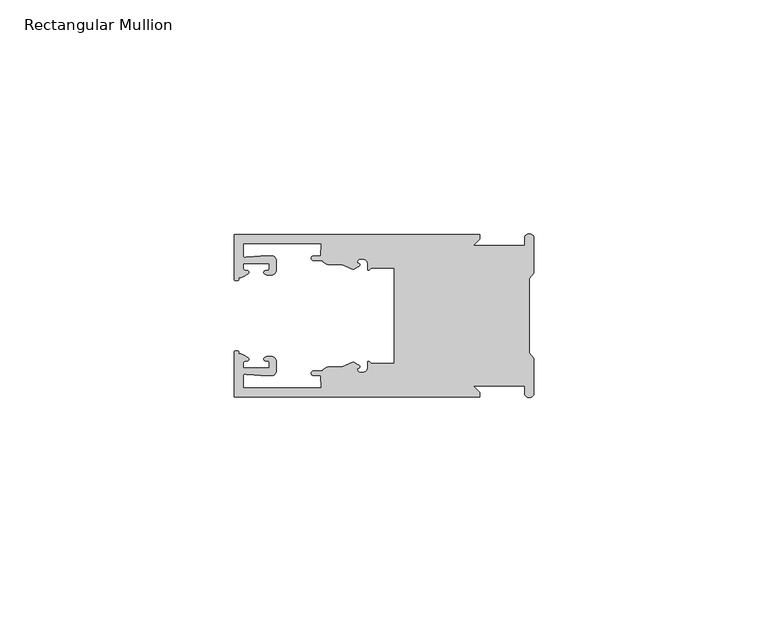
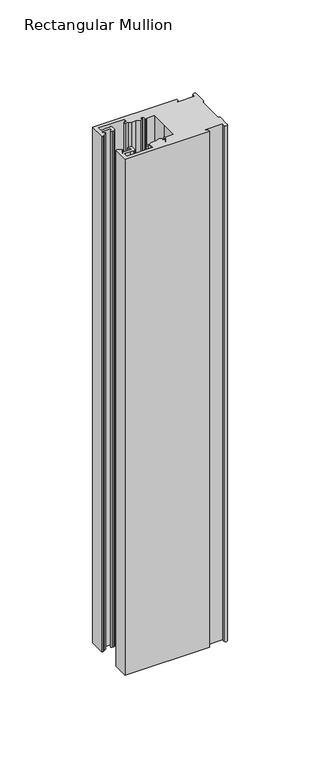
"""IFC4 building model written with IfcOpenShell, lengths in millimetres: member geometry, Rectangular Mullion."""

from ifc_helpers import new_model, si_unit, frame, origin, place, context, project, spatial, polyline, circle_curve, source, transform, mapped, element, save
from ifc_brep_helpers import plane_surface, cylinder_surface, revolved_surface, extruded_surface, spline_curve, advanced_brep


def rectangular_mullion_e90505ba(model_context):
    return source(origin(), model_context, "Body", "AdvancedBrep", [
        advanced_brep(
        [(-11.5387897, 17.4000478, 0.0), (-64.0387868, 17.4000478, 0.0), (-64.0387868, 7.8350057, 0.0), (-63.2884687, 7.5412947, 0.0), (-62.4614154, 8.1921895, 0.0), (-62.0410649, 9.9426451, 0.0), (-62.0424168, 11.1926444, 0.0), (-56.54242, 11.1985924, 0.0), (-56.5410682, 9.9485931, 0.0), (-57.1085345, 8.7314723, 0.0), (-56.0397166, 8.6991345, 0.0), (-55.0407987, 9.7002154, 0.0), (-55.0430697, 11.8002142, 0.0), (-56.0446364, 12.7991315, 0.0), (-58.3650753, 12.7954945, 0.0), (-61.1340054, 12.5502269, 0.0), (-62.044093, 12.7426435, 0.0), (-62.0469668, 15.4000478, 0.0), (-45.4240312, 15.4000478, 0.0), (-45.5732135, 12.8000478, 0.0), (-47.0387868, 12.8000478, 0.0), (-47.0387868, 11.8000478, 0.0), (-45.2543363, 11.8000478, 0.0), (-43.6387868, 10.9000478, 0.0), (-41.0454034, 10.9000478, 0.0), (-38.5697136, 9.8718293, 0.0), (-37.5387868, 10.4670351, 0.0), (-37.6803436, 11.4201497, 0.0), (-37.0270763, 12.1583697, 0.0), (-36.2010815, 12.0127245, 0.0), (-35.54, 11.2248783, 0.0), (-35.54, 10.0, 0.0), (-34.7705791, 10.25, 0.0), (-29.79, 10.25, 0.0), (-29.79, 0.0, 0.0), (-29.79, -10.25, 0.0), (-34.7705791, -10.25, 0.0), (-35.54, -10.0, 0.0), (-35.54, -11.2248783, 0.0), (-36.2010815, -12.0127245, 0.0), (-37.0270763, -12.1583697, 0.0), (-37.6803436, -11.4201497, 0.0), (-37.5387868, -10.4670351, 0.0), (-38.5697136, -9.8718293, 0.0), (-41.0454034, -10.9000478, 0.0), (-43.6387868, -10.9000478, 0.0), (-45.2543363, -11.8000478, 0.0), (-47.0387868, -11.8000478, 0.0), (-47.0387868, -12.8000478, 0.0), (-45.5732135, -12.8000478, 0.0), (-45.4240312, -15.4000478, 0.0), (-62.0469668, -15.4000478, 0.0), (-62.044093, -12.7426435, 0.0), (-61.1340054, -12.5502269, 0.0), (-58.3650753, -12.7954945, 0.0), (-56.0446364, -12.7991314, 0.0), (-55.0430697, -11.8002142, 0.0), (-55.0407987, -9.7002154, 0.0), (-56.0397166, -8.6991345, 0.0), (-57.1085345, -8.7314723, 0.0), (-56.5410682, -9.9485931, 0.0), (-56.54242, -11.1985924, 0.0), (-62.0424168, -11.1926444, 0.0), (-62.0410649, -9.9426451, 0.0), (-62.4614154, -8.1921895, 0.0), (-63.2884687, -7.5412947, 0.0), (-64.0387868, -7.8350057, 0.0), (-64.0387868, -17.4000478, 0.0), (-11.5387897, -17.4000478, 0.0), (-11.5387897, -16.4000449, 0.0), (-12.9388346, -15.0, 0.0), (-2.0, -15.0, 0.0), (-2.0, -16.5, 0.0), (0.0, -16.5, 0.0), (0.0, -9.1160254, 0.0), (-1.0, -7.9613249, 0.0), (-1.0, 0.0, 0.0), (-1.0, 7.9613249, 0.0), (0.0, 9.1160254, 0.0), (0.0, 16.5, 0.0), (-2.0, 16.5, 0.0), (-2.0, 15.0, 0.0), (-12.9388346, 15.0, 0.0), (-11.5387897, 16.4000449, 0.0), (-11.5387897, 17.4000478, -339.0), (-11.5387897, 16.4000449, -339.0), (-12.9388346, 15.0, -339.0), (-2.0, 15.0, -339.0), (-2.0, 16.5, -339.0), (0.0, 16.5, -339.0), (0.0, 9.1160254, -339.0), (-1.0, 7.9613249, -339.0), (-1.0, 0.0, -339.0), (-1.0, -7.9613249, -339.0), (0.0, -9.1160254, -339.0), (0.0, -16.5, -339.0), (-2.0, -16.5, -339.0), (-2.0, -15.0, -339.0), (-12.9388346, -15.0, -339.0), (-11.5387897, -16.4000449, -339.0), (-11.5387897, -17.4000478, -339.0), (-64.0387868, -17.4000478, -339.0), (-64.0387868, -7.8350057, -339.0), (-63.2884687, -7.5412947, -339.0), (-62.4614154, -8.1921895, -339.0), (-62.0410649, -9.9426451, -339.0), (-62.0424168, -11.1926444, -339.0), (-56.54242, -11.1985924, -339.0), (-56.5410682, -9.9485931, -339.0), (-57.1085345, -8.7314723, -339.0), (-56.0397166, -8.6991345, -339.0), (-55.0407987, -9.7002154, -339.0), (-55.0430697, -11.8002142, -339.0), (-56.0446364, -12.7991315, -339.0), (-58.3650753, -12.7954945, -339.0), (-61.1340054, -12.5502269, -339.0), (-62.044093, -12.7426435, -339.0), (-62.0469668, -15.4000478, -339.0), (-45.4240312, -15.4000478, -339.0), (-45.5732135, -12.8000478, -339.0), (-47.0387868, -12.8000478, -339.0), (-47.0387868, -11.8000478, -339.0), (-45.2543363, -11.8000478, -339.0), (-43.6387868, -10.9000478, -339.0), (-41.0454034, -10.9000478, -339.0), (-38.5697136, -9.8718293, -339.0), (-37.5387868, -10.4670351, -339.0), (-37.6803436, -11.4201497, -339.0), (-37.0270763, -12.1583697, -339.0), (-36.2010815, -12.0127245, -339.0), (-35.54, -11.2248783, -339.0), (-35.54, -10.0, -339.0), (-34.7705791, -10.25, -339.0), (-29.79, -10.25, -339.0), (-29.79, 0.0, -339.0), (-29.79, 10.25, -339.0), (-34.7705791, 10.25, -339.0), (-35.54, 10.0, -339.0), (-35.54, 11.2248783, -339.0), (-36.2010815, 12.0127245, -339.0), (-37.0270763, 12.1583697, -339.0), (-37.6803436, 11.4201497, -339.0), (-37.5387868, 10.4670351, -339.0), (-38.5697136, 9.8718293, -339.0), (-41.0454034, 10.9000478, -339.0), (-43.6387868, 10.9000478, -339.0), (-45.2543363, 11.8000478, -339.0), (-47.0387868, 11.8000478, -339.0), (-47.0387868, 12.8000478, -339.0), (-45.5732135, 12.8000478, -339.0), (-45.4240312, 15.4000478, -339.0), (-62.0469668, 15.4000478, -339.0), (-62.044093, 12.7426435, -339.0), (-61.1340054, 12.5502269, -339.0), (-58.3650753, 12.7954945, -339.0), (-56.0446364, 12.7991314, -339.0), (-55.0430697, 11.8002142, -339.0), (-55.0407987, 9.7002154, -339.0), (-56.0397166, 8.6991345, -339.0), (-57.1085345, 8.7314723, -339.0), (-56.5410682, 9.9485931, -339.0), (-56.54242, 11.1985924, -339.0), (-62.0424168, 11.1926444, -339.0), (-62.0410649, 9.9426451, -339.0), (-62.4614154, 8.1921895, -339.0), (-63.2884687, 7.5412947, -339.0), (-64.0387868, 7.8350057, -339.0), (-64.0387868, 17.4000478, -339.0)],
        [
            (0, 1),
            (1, 2),
            (2, 3, spline_curve(3, [(-64.0387868, 7.8350057, 0.0), (-64.038491377, 7.561831774, 0.0), (-63.788385325, 7.463928087, 0.0), (-63.2884687, 7.5412947, 0.0)], [4, 4], [0.0, 0.0019169337574178654])),
            (3, 4, spline_curve(3, [(-63.2884687, 7.5412947, 0.0), (-63.057760917, 7.582232011, 0.0), (-63.018445067, 7.725390894, 0.0), (-63.019925494, 8.056436881, 0.0), (-63.103444208, 8.236386866, 0.0), (-62.4614154, 8.1921895, 0.0)], [4, 2, 4], [0.0, 0.0010199524164107188, 0.0024874514725970356])),
            (4, 5, spline_curve(3, [(-62.4614154, 8.1921895, 0.0), (-60.988497673, 8.880962536, 0.0), (-60.794045122, 9.192776957, 0.0), (-60.949808078, 9.57023562, 0.0), (-61.145214014, 9.682771697, 0.0), (-61.665835706, 9.714019003, 0.0), (-61.965242574, 9.660891484, 0.0), (-62.0410649, 9.9426451, 0.0)], [4, 2, 2, 4], [0.0, 0.003269869179570428, 0.005490050486237203, 0.0073545767114364426])),
            (5, 6),
            (6, 7),
            (7, 8),
            (8, 9, spline_curve(3, [(-56.5410682, 9.9485931, 0.0), (-56.634838635, 9.597117104, 0.0), (-56.904956774, 9.698238818, 0.0), (-57.324171444, 9.731086209, 0.0), (-57.45969165, 9.646199885, 0.0), (-57.729003352, 9.346016011, 0.0), (-57.859492582, 9.113082158, 0.0), (-57.1085345, 8.7314723, 0.0)], [4, 2, 2, 4], [0.0, 0.001593963049934732, 0.0033360256320283306, 0.005339140673503943])),
            (9, 10),
            (10, 11, circle_curve(frame((-56.0407981, 9.699134, 0.0), z_axis=(0.0, 0.0, 1.0), x_axis=(0.0010814451158627505, -0.9999994152380598, 0.0)), 1.0)),
            (11, 12),
            (12, 13, circle_curve(frame((-56.0430691, 11.7991327, 0.0), z_axis=(0.0, 0.0, 1.0), x_axis=(0.0010814451158627505, -0.9999994152380598, 0.0)), 1.0)),
            (13, 14),
            (14, 15),
            (15, 16, spline_curve(3, [(-61.1340054, 12.5502269, 0.0), (-61.605485428, 12.508463911, 0.0), (-61.992111419, 12.303164326, 0.0), (-62.044093, 12.7426435, 0.0)], [4, 4], [0.0, 0.0014803385355886016])),
            (16, 17),
            (17, 18),
            (18, 19),
            (19, 20),
            (20, 21, circle_curve(frame((-47.0387868, 12.3000478, 0.0), z_axis=(0.0, 0.0, 1.0), x_axis=(0.0, -1.0, 0.0)), 0.5)),
            (21, 22),
            (22, 23, circle_curve(frame((-43.6387868, 12.8000478, 0.0), z_axis=(0.0, 0.0, 1.0), x_axis=(0.0, -1.0, 0.0)), 1.9)),
            (23, 24),
            (24, 25),
            (25, 26),
            (26, 27, spline_curve(3, [(-37.5387868, 10.4670351, 0.0), (-36.973919853, 10.833863985, 0.0), (-37.198159645, 11.135696286, 0.0), (-37.587892011, 11.260246073, 0.0), (-37.754584192, 11.180452419, 0.0), (-37.6803436, 11.4201497, 0.0)], [4, 2, 4], [0.0, 0.0019283703160353726, 0.003394584635652914])),
            (27, 28, circle_curve(frame((-37.0434863, 11.5147359, 0.0), z_axis=(0.0, 0.0, -1.0), x_axis=(0.0, -1.0, 0.0)), 0.643843)),
            (28, 29),
            (29, 30, circle_curve(frame((-36.34, 11.2248783, 0.0), z_axis=(0.0, 0.0, -1.0), x_axis=(0.0, -1.0, 0.0)), 0.8)),
            (30, 31),
            (31, 32, spline_curve(3, [(-35.54, 10.0, 0.0), (-35.440000238, 9.598293201, 0.0), (-35.183526594, 9.681626535, 0.0), (-34.7705791, 10.25, 0.0)], [4, 4], [0.0, 0.0027473296990141553])),
            (32, 33),
            (33, 34),
            (34, 35),
            (35, 36),
            (36, 37, spline_curve(3, [(-34.7705791, -10.25, 0.0), (-35.183526594, -9.681626535, 0.0), (-35.440000238, -9.598293201, 0.0), (-35.54, -10.0, 0.0)], [4, 4], [0.0, 0.0027473296990141553])),
            (37, 38),
            (38, 39, circle_curve(frame((-36.34, -11.2248783, 0.0), z_axis=(0.0, 0.0, -1.0), x_axis=(0.0, 1.0, 0.0)), 0.8)),
            (39, 40),
            (40, 41, circle_curve(frame((-37.0434863, -11.5147359, 0.0), z_axis=(0.0, 0.0, -1.0), x_axis=(0.0, 1.0, 0.0)), 0.643843)),
            (41, 42, spline_curve(3, [(-37.6803436, -11.4201497, 0.0), (-37.754584192, -11.180452419, 0.0), (-37.587892011, -11.260246073, 0.0), (-37.198159645, -11.135696286, 0.0), (-36.973919853, -10.833863985, 0.0), (-37.5387868, -10.4670351, 0.0)], [4, 2, 4], [0.0, 0.0014662143196175414, 0.003394584635652914])),
            (42, 43),
            (43, 44),
            (44, 45),
            (45, 46, circle_curve(frame((-43.6387868, -12.8000478, 0.0), z_axis=(0.0, 0.0, 1.0), x_axis=(0.0, 1.0, 0.0)), 1.9)),
            (46, 47),
            (47, 48, circle_curve(frame((-47.0387868, -12.3000478, 0.0), z_axis=(0.0, 0.0, 1.0), x_axis=(0.0, 1.0, 0.0)), 0.5)),
            (48, 49),
            (49, 50),
            (50, 51),
            (51, 52),
            (52, 53, spline_curve(3, [(-62.044093, -12.7426435, 0.0), (-61.992111419, -12.303164326, 0.0), (-61.605485428, -12.508463911, 0.0), (-61.1340054, -12.5502269, 0.0)], [4, 4], [0.0, 0.0014803385355886016])),
            (53, 54),
            (54, 55),
            (55, 56, circle_curve(frame((-56.0430691, -11.7991327, 0.0), z_axis=(0.0, 0.0, 1.0), x_axis=(0.001081445115855867, 0.9999994152380598, 0.0)), 1.0)),
            (56, 57),
            (57, 58, circle_curve(frame((-56.0407981, -9.699134, 0.0), z_axis=(0.0, 0.0, 1.0), x_axis=(0.001081445115855867, 0.9999994152380598, 0.0)), 1.0)),
            (58, 59),
            (59, 60, spline_curve(3, [(-57.1085345, -8.7314723, 0.0), (-57.859492582, -9.113082158, 0.0), (-57.729003352, -9.346016011, 0.0), (-57.45969165, -9.646199885, 0.0), (-57.324171444, -9.731086209, 0.0), (-56.904956774, -9.698238818, 0.0), (-56.634838635, -9.597117104, 0.0), (-56.5410682, -9.9485931, 0.0)], [4, 2, 2, 4], [0.0, 0.002003115041475612, 0.0037451776235692107, 0.005339140673503943])),
            (60, 61),
            (61, 62),
            (62, 63),
            (63, 64, spline_curve(3, [(-62.0410649, -9.9426451, 0.0), (-61.965242574, -9.660891484, 0.0), (-61.665835706, -9.714019003, 0.0), (-61.145214014, -9.682771697, 0.0), (-60.949808078, -9.57023562, 0.0), (-60.794045122, -9.192776957, 0.0), (-60.988497673, -8.880962536, 0.0), (-62.4614154, -8.1921895, 0.0)], [4, 2, 2, 4], [0.0, 0.0018645262251992395, 0.004084707531866015, 0.0073545767114364426])),
            (64, 65, spline_curve(3, [(-62.4614154, -8.1921895, 0.0), (-63.103444208, -8.236386866, 0.0), (-63.019925494, -8.056436881, 0.0), (-63.018445067, -7.725390894, 0.0), (-63.057760917, -7.582232011, 0.0), (-63.2884687, -7.5412947, 0.0)], [4, 2, 4], [0.0, 0.0014674990561863168, 0.0024874514725970356])),
            (65, 66, spline_curve(3, [(-63.2884687, -7.5412947, 0.0), (-63.788385325, -7.463928087, 0.0), (-64.038491377, -7.561831774, 0.0), (-64.0387868, -7.8350057, 0.0)], [4, 4], [0.0, 0.0019169337574178654])),
            (66, 67),
            (67, 68),
            (68, 69),
            (69, 70),
            (70, 71),
            (71, 72),
            (72, 73, circle_curve(frame((-1.0, -16.5, 0.0), z_axis=(0.0, 0.0, 1.0), x_axis=(0.0, 1.0, 0.0)), 1.0)),
            (73, 74),
            (74, 75),
            (75, 76),
            (76, 77),
            (77, 78),
            (78, 79),
            (79, 80, circle_curve(frame((-1.0, 16.5, 0.0), z_axis=(0.0, 0.0, 1.0), x_axis=(0.0, -1.0, 0.0)), 1.0)),
            (80, 81),
            (81, 82),
            (82, 83),
            (83, 0),
            (84, 85),
            (85, 86),
            (86, 87),
            (87, 88),
            (88, 89, circle_curve(frame((-1.0, 16.5, -339.0), z_axis=(0.0, 0.0, -1.0), x_axis=(0.0, -1.0, 0.0)), 1.0)),
            (89, 90),
            (90, 91),
            (91, 92),
            (92, 93),
            (93, 94),
            (94, 95),
            (95, 96, circle_curve(frame((-1.0, -16.5, -339.0), z_axis=(0.0, 0.0, -1.0), x_axis=(0.0, 1.0, 0.0)), 1.0)),
            (96, 97),
            (97, 98),
            (98, 99),
            (99, 100),
            (100, 101),
            (101, 102),
            (102, 103, spline_curve(3, [(-64.0387868, -7.8350057, -339.0), (-64.038491377, -7.561831774, -339.0), (-63.788385325, -7.463928087, -339.0), (-63.2884687, -7.5412947, -339.0)], [4, 4], [0.0, 0.0019169337574178654])),
            (103, 104, spline_curve(3, [(-63.2884687, -7.5412947, -339.0), (-63.057760917, -7.582232011, -339.0), (-63.018445067, -7.725390894, -339.0), (-63.019925494, -8.056436881, -339.0), (-63.103444208, -8.236386866, -339.0), (-62.4614154, -8.1921895, -339.0)], [4, 2, 4], [0.0, 0.0010199524164107188, 0.0024874514725970356])),
            (104, 105, spline_curve(3, [(-62.4614154, -8.1921895, -339.0), (-60.988497673, -8.880962536, -339.0), (-60.794045122, -9.192776957, -339.0), (-60.949808078, -9.57023562, -339.0), (-61.145214014, -9.682771697, -339.0), (-61.665835706, -9.714019003, -339.0), (-61.965242574, -9.660891484, -339.0), (-62.0410649, -9.9426451, -339.0)], [4, 2, 2, 4], [0.0, 0.003269869179570428, 0.005490050486237203, 0.0073545767114364426])),
            (105, 106),
            (106, 107),
            (107, 108),
            (108, 109, spline_curve(3, [(-56.5410682, -9.9485931, -339.0), (-56.634838635, -9.597117104, -339.0), (-56.904956774, -9.698238818, -339.0), (-57.324171444, -9.731086209, -339.0), (-57.45969165, -9.646199885, -339.0), (-57.729003352, -9.346016011, -339.0), (-57.859492582, -9.113082158, -339.0), (-57.1085345, -8.7314723, -339.0)], [4, 2, 2, 4], [0.0, 0.001593963049934732, 0.0033360256320283306, 0.005339140673503943])),
            (109, 110),
            (110, 111, circle_curve(frame((-56.0407981, -9.699134, -339.0), z_axis=(0.0, 0.0, -1.0), x_axis=(0.001081445115855867, 0.9999994152380598, 0.0)), 1.0)),
            (111, 112),
            (112, 113, circle_curve(frame((-56.0430691, -11.7991327, -339.0), z_axis=(0.0, 0.0, -1.0), x_axis=(0.001081445115855867, 0.9999994152380598, 0.0)), 1.0)),
            (113, 114),
            (114, 115),
            (115, 116, spline_curve(3, [(-61.1340054, -12.5502269, -339.0), (-61.605485428, -12.508463911, -339.0), (-61.992111419, -12.303164326, -339.0), (-62.044093, -12.7426435, -339.0)], [4, 4], [0.0, 0.0014803385355886016])),
            (116, 117),
            (117, 118),
            (118, 119),
            (119, 120),
            (120, 121, circle_curve(frame((-47.0387868, -12.3000478, -339.0), z_axis=(0.0, 0.0, -1.0), x_axis=(0.0, 1.0, 0.0)), 0.5)),
            (121, 122),
            (122, 123, circle_curve(frame((-43.6387868, -12.8000478, -339.0), z_axis=(0.0, 0.0, -1.0), x_axis=(0.0, 1.0, 0.0)), 1.9)),
            (123, 124),
            (124, 125),
            (125, 126),
            (126, 127, spline_curve(3, [(-37.5387868, -10.4670351, -339.0), (-36.973919853, -10.833863985, -339.0), (-37.198159645, -11.135696286, -339.0), (-37.587892011, -11.260246073, -339.0), (-37.754584192, -11.180452419, -339.0), (-37.6803436, -11.4201497, -339.0)], [4, 2, 4], [0.0, 0.0019283703160353726, 0.003394584635652914])),
            (127, 128, circle_curve(frame((-37.0434863, -11.5147359, -339.0), z_axis=(0.0, 0.0, 1.0), x_axis=(0.0, 1.0, 0.0)), 0.643843)),
            (128, 129),
            (129, 130, circle_curve(frame((-36.34, -11.2248783, -339.0), z_axis=(0.0, 0.0, 1.0), x_axis=(0.0, 1.0, 0.0)), 0.8)),
            (130, 131),
            (131, 132, spline_curve(3, [(-35.54, -10.0, -339.0), (-35.440000238, -9.598293201, -339.0), (-35.183526594, -9.681626535, -339.0), (-34.7705791, -10.25, -339.0)], [4, 4], [0.0, 0.0027473296990141553])),
            (132, 133),
            (133, 134),
            (134, 135),
            (135, 136),
            (136, 137, spline_curve(3, [(-34.7705791, 10.25, -339.0), (-35.183526594, 9.681626535, -339.0), (-35.440000238, 9.598293201, -339.0), (-35.54, 10.0, -339.0)], [4, 4], [0.0, 0.0027473296990141553])),
            (137, 138),
            (138, 139, circle_curve(frame((-36.34, 11.2248783, -339.0), z_axis=(0.0, 0.0, 1.0), x_axis=(0.0, -1.0, 0.0)), 0.8)),
            (139, 140),
            (140, 141, circle_curve(frame((-37.0434863, 11.5147359, -339.0), z_axis=(0.0, 0.0, 1.0), x_axis=(0.0, -1.0, 0.0)), 0.643843)),
            (141, 142, spline_curve(3, [(-37.6803436, 11.4201497, -339.0), (-37.754584192, 11.180452419, -339.0), (-37.587892011, 11.260246073, -339.0), (-37.198159645, 11.135696286, -339.0), (-36.973919853, 10.833863985, -339.0), (-37.5387868, 10.4670351, -339.0)], [4, 2, 4], [0.0, 0.0014662143196175414, 0.003394584635652914])),
            (142, 143),
            (143, 144),
            (144, 145),
            (145, 146, circle_curve(frame((-43.6387868, 12.8000478, -339.0), z_axis=(0.0, 0.0, -1.0), x_axis=(0.0, -1.0, 0.0)), 1.9)),
            (146, 147),
            (147, 148, circle_curve(frame((-47.0387868, 12.3000478, -339.0), z_axis=(0.0, 0.0, -1.0), x_axis=(0.0, -1.0, 0.0)), 0.5)),
            (148, 149),
            (149, 150),
            (150, 151),
            (151, 152),
            (152, 153, spline_curve(3, [(-62.044093, 12.7426435, -339.0), (-61.992111419, 12.303164326, -339.0), (-61.605485428, 12.508463911, -339.0), (-61.1340054, 12.5502269, -339.0)], [4, 4], [0.0, 0.0014803385355886016])),
            (153, 154),
            (154, 155),
            (155, 156, circle_curve(frame((-56.0430691, 11.7991327, -339.0), z_axis=(0.0, 0.0, -1.0), x_axis=(0.0010814451158627505, -0.9999994152380598, 0.0)), 1.0)),
            (156, 157),
            (157, 158, circle_curve(frame((-56.0407981, 9.699134, -339.0), z_axis=(0.0, 0.0, -1.0), x_axis=(0.0010814451158627505, -0.9999994152380598, 0.0)), 1.0)),
            (158, 159),
            (159, 160, spline_curve(3, [(-57.1085345, 8.7314723, -339.0), (-57.859492582, 9.113082158, -339.0), (-57.729003352, 9.346016011, -339.0), (-57.45969165, 9.646199885, -339.0), (-57.324171444, 9.731086209, -339.0), (-56.904956774, 9.698238818, -339.0), (-56.634838635, 9.597117104, -339.0), (-56.5410682, 9.9485931, -339.0)], [4, 2, 2, 4], [0.0, 0.002003115041475612, 0.0037451776235692107, 0.005339140673503943])),
            (160, 161),
            (161, 162),
            (162, 163),
            (163, 164, spline_curve(3, [(-62.0410649, 9.9426451, -339.0), (-61.965242574, 9.660891484, -339.0), (-61.665835706, 9.714019003, -339.0), (-61.145214014, 9.682771697, -339.0), (-60.949808078, 9.57023562, -339.0), (-60.794045122, 9.192776957, -339.0), (-60.988497673, 8.880962536, -339.0), (-62.4614154, 8.1921895, -339.0)], [4, 2, 2, 4], [0.0, 0.0018645262251992395, 0.004084707531866015, 0.0073545767114364426])),
            (164, 165, spline_curve(3, [(-62.4614154, 8.1921895, -339.0), (-63.103444208, 8.236386866, -339.0), (-63.019925494, 8.056436881, -339.0), (-63.018445067, 7.725390894, -339.0), (-63.057760917, 7.582232011, -339.0), (-63.2884687, 7.5412947, -339.0)], [4, 2, 4], [0.0, 0.0014674990561863168, 0.0024874514725970356])),
            (165, 166, spline_curve(3, [(-63.2884687, 7.5412947, -339.0), (-63.788385325, 7.463928087, -339.0), (-64.038491377, 7.561831774, -339.0), (-64.0387868, 7.8350057, -339.0)], [4, 4], [0.0, 0.0019169337574178654])),
            (166, 167),
            (167, 84),
            (0, 84),
            (167, 1),
            (166, 2),
            (165, 3),
            (164, 4),
            (163, 5),
            (162, 6),
            (161, 7),
            (160, 8),
            (159, 9),
            (158, 10),
            (157, 11),
            (156, 12),
            (155, 13),
            (154, 14),
            (153, 15),
            (152, 16),
            (151, 17),
            (150, 18),
            (149, 19),
            (148, 20),
            (147, 21),
            (146, 22),
            (145, 23),
            (144, 24),
            (143, 25),
            (142, 26),
            (141, 27),
            (140, 28),
            (139, 29),
            (138, 30),
            (137, 31),
            (136, 32),
            (135, 33),
            (134, 34),
            (133, 35),
            (132, 36),
            (131, 37),
            (130, 38),
            (129, 39),
            (128, 40),
            (127, 41),
            (126, 42),
            (125, 43),
            (124, 44),
            (123, 45),
            (122, 46),
            (121, 47),
            (120, 48),
            (119, 49),
            (118, 50),
            (117, 51),
            (116, 52),
            (115, 53),
            (114, 54),
            (113, 55),
            (112, 56),
            (111, 57),
            (110, 58),
            (109, 59),
            (108, 60),
            (107, 61),
            (106, 62),
            (105, 63),
            (104, 64),
            (103, 65),
            (102, 66),
            (101, 67),
            (100, 68),
            (99, 69),
            (98, 70),
            (97, 71),
            (96, 72),
            (95, 73),
            (94, 74),
            (93, 75),
            (92, 76),
            (91, 77),
            (90, 78),
            (89, 79),
            (88, 80),
            (87, 81),
            (86, 82),
            (85, 83),
        ],
        [
            plane_surface(frame((0.0, -66.3605898, 0.0), z_axis=(0.0, 0.0, 1.0), x_axis=(-1.0, 0.0, 0.0))),
            plane_surface(frame((0.0, -66.3605898, -339.0), z_axis=(0.0, 0.0, -1.0), x_axis=(-1.0, 0.0, 0.0))),
            plane_surface(frame((-11.5387897, 17.4000478, 0.0), z_axis=(0.0, 1.0, 0.0), x_axis=(0.0, 0.0, -1.0))),
            plane_surface(frame((-64.0387868, 17.4000478, 0.0), z_axis=(-1.0, 0.0, 0.0), x_axis=(0.0, 0.0, -1.0))),
            extruded_surface(spline_curve(3, [(-64.0387868, 7.8350057, -339.0), (-64.038491377, 7.561831774, -339.0), (-63.788385325, 7.463928087, -339.0), (-63.2884687, 7.5412947, -339.0)], [4, 4], [0.0, 0.0019169337574178654]), (0.0, 0.0, 339.0), 339.0),
            extruded_surface(spline_curve(3, [(-63.2884687, 7.5412947, -339.0), (-63.057760917, 7.582232011, -339.0), (-63.018445067, 7.725390894, -339.0), (-63.019925494, 8.056436881, -339.0), (-63.103444208, 8.236386866, -339.0), (-62.4614154, 8.1921895, -339.0)], [4, 2, 4], [0.0, 0.0010199524164107188, 0.0024874514725970356]), (0.0, 0.0, 339.0), 339.0),
            extruded_surface(spline_curve(3, [(-62.4614154, 8.1921895, -339.0), (-60.988497673, 8.880962536, -339.0), (-60.794045122, 9.192776957, -339.0), (-60.949808078, 9.57023562, -339.0), (-61.145214014, 9.682771697, -339.0), (-61.665835706, 9.714019003, -339.0), (-61.965242574, 9.660891484, -339.0), (-62.0410649, 9.9426451, -339.0)], [4, 2, 2, 4], [0.0, 0.003269869179570428, 0.005490050486237203, 0.0073545767114364426]), (0.0, 0.0, 339.0), 339.0),
            plane_surface(frame((-62.0410649, 9.9426451, 0.0), z_axis=(0.9999994152380598, 0.0010814451158593665, 0.0), x_axis=(0.0, 0.0, -1.0))),
            plane_surface(frame((-62.0424168, 11.1926444, 0.0), z_axis=(0.0010814451158611391, -0.9999994152380598, 0.0), x_axis=(0.0, 0.0, -1.0))),
            plane_surface(frame((-56.54242, 11.1985924, 0.0), z_axis=(-0.9999994152380598, -0.0010814451158584516, 0.0), x_axis=(0.0, 0.0, -1.0))),
            extruded_surface(spline_curve(3, [(-56.5410682, 9.9485931, -339.0), (-56.634838635, 9.597117104, -339.0), (-56.904956774, 9.698238818, -339.0), (-57.324171444, 9.731086209, -339.0), (-57.45969165, 9.646199885, -339.0), (-57.729003352, 9.346016011, -339.0), (-57.859492582, 9.113082158, -339.0), (-57.1085345, 8.7314723, -339.0)], [4, 2, 2, 4], [0.0, 0.001593963049934732, 0.0033360256320283306, 0.005339140673503943]), (0.0, 0.0, 339.0), 339.0),
            plane_surface(frame((-57.1085345, 8.7314723, 0.0), z_axis=(-0.030241832452869922, -0.9995426111826813, 0.0), x_axis=(0.0, 0.0, -1.0))),
            cylinder_surface(frame((-56.0407981, 9.699134, 0.0), z_axis=(0.0, 0.0, 1.0000000000000002), x_axis=(0.0010814451158627505, -0.9999994152380598, 0.0)), 1.0),
            plane_surface(frame((-55.0407987, 9.7002154, 0.0), z_axis=(0.9999994152380598, 0.001081445115858722, 0.0), x_axis=(0.0, 0.0, -1.0))),
            cylinder_surface(frame((-56.0430691, 11.7991327, 0.0), z_axis=(0.0, 0.0, 1.0000000000000002), x_axis=(0.0010814451158627505, -0.9999994152380598, 0.0)), 1.0),
            plane_surface(frame((-56.0446364, 12.7991314, 0.0), z_axis=(-0.0015673183327907744, 0.9999987717558677, 0.0), x_axis=(0.0, 0.0, -1.0))),
            plane_surface(frame((-58.3650753, 12.7954945, 0.0), z_axis=(-0.08823302167299531, 0.9960998614026874, 0.0), x_axis=(0.0, 0.0, -1.0))),
            extruded_surface(spline_curve(3, [(-61.1340054, 12.5502269, -339.0), (-61.605485428, 12.508463911, -339.0), (-61.992111419, 12.303164326, -339.0), (-62.044093, 12.7426435, -339.0)], [4, 4], [0.0, 0.0014803385355886016]), (0.0, 0.0, 339.0), 339.0),
            plane_surface(frame((-62.044093, 12.7426435, 0.0), z_axis=(0.9999994152380598, 0.0010814451158597813, 0.0), x_axis=(0.0, 0.0, -1.0))),
            plane_surface(frame((-62.0469668, 15.4000478, 0.0), z_axis=(0.0, -1.0, 0.0), x_axis=(0.0, 0.0, -1.0))),
            plane_surface(frame((-45.4240312, 15.4000478, 0.0), z_axis=(-0.9983579461523547, 0.05728360458675776, 0.0), x_axis=(0.0, 0.0, -1.0))),
            plane_surface(frame((-45.5732135, 12.8000478, 0.0), z_axis=(0.0, 1.0, 0.0), x_axis=(0.0, 0.0, -1.0))),
            cylinder_surface(frame((-47.0387868, 12.3000478, 0.0), z_axis=(0.0, 0.0, 1.0), x_axis=(0.0, -1.0, 0.0)), 0.5),
            plane_surface(frame((-47.0387868, 11.8000478, 0.0), z_axis=(0.0, -1.0, 0.0), x_axis=(0.0, 0.0, -1.0))),
            cylinder_surface(frame((-43.6387868, 12.8000478, 0.0), z_axis=(0.0, 0.0, 1.0), x_axis=(0.0, -1.0, 0.0)), 1.9),
            plane_surface(frame((-43.6387868, 10.9000478, 0.0), z_axis=(0.0, -1.0, 0.0), x_axis=(0.0, 0.0, -1.0))),
            plane_surface(frame((-41.0454034, 10.9000478, 0.0), z_axis=(-0.3835602140750569, -0.9235158700199453, 0.0), x_axis=(0.0, 0.0, -1.0))),
            plane_surface(frame((-38.5697136, 9.8718293, 0.0), z_axis=(0.5000000000252295, -0.8660254037698725, 0.0), x_axis=(0.0, 0.0, -1.0))),
            extruded_surface(spline_curve(3, [(-37.5387868, 10.4670351, -339.0), (-36.973919853, 10.833863985, -339.0), (-37.198159645, 11.135696286, -339.0), (-37.587892011, 11.260246073, -339.0), (-37.754584192, 11.180452419, -339.0), (-37.6803436, 11.4201497, -339.0)], [4, 2, 4], [0.0, 0.0019283703160353726, 0.003394584635652914]), (0.0, 0.0, 339.0), 339.0),
            revolved_surface(polyline([(-37.0434863, 10.8708929, -339.0), (-37.0434863, 10.8708929, 0.0)]), (-37.0434863, 11.5147359, 0.0), (0.0, 0.0, -1.0)),
            plane_surface(frame((-37.0270763, 12.1583697, 0.0), z_axis=(-0.17364817767050408, -0.984807753011578, 0.0), x_axis=(0.0, 0.0, -1.0))),
            revolved_surface(polyline([(-36.34, 10.4248783, -339.0), (-36.34, 10.4248783, 0.0)]), (-36.34, 11.2248783, 0.0), (0.0, 0.0, -1.0)),
            plane_surface(frame((-35.54, 11.2248783, 0.0), z_axis=(-1.0, 0.0, 0.0), x_axis=(0.0, 0.0, -1.0))),
            extruded_surface(spline_curve(3, [(-35.54, 10.0, -339.0), (-35.440000238, 9.598293201, -339.0), (-35.183526594, 9.681626535, -339.0), (-34.7705791, 10.25, -339.0)], [4, 4], [0.0, 0.0027473296990141553]), (0.0, 0.0, 339.0), 339.0),
            plane_surface(frame((-34.7705791, 10.25, 0.0), z_axis=(0.0, -1.0, 0.0), x_axis=(0.0, 0.0, -1.0))),
            plane_surface(frame((-29.79, 10.25, 0.0), z_axis=(-1.0, 0.0, 0.0), x_axis=(0.0, 0.0, -1.0))),
            plane_surface(frame((-29.79, 0.0, 0.0), z_axis=(-1.0, 0.0, 0.0), x_axis=(0.0, 0.0, -1.0))),
            plane_surface(frame((-29.79, -10.25, 0.0), z_axis=(0.0, 1.0, 0.0), x_axis=(0.0, 0.0, -1.0))),
            extruded_surface(spline_curve(3, [(-34.7705791, -10.25, -339.0), (-35.183526594, -9.681626535, -339.0), (-35.440000238, -9.598293201, -339.0), (-35.54, -10.0, -339.0)], [4, 4], [0.0, 0.0027473296990141553]), (0.0, 0.0, 339.0), 339.0),
            plane_surface(frame((-35.54, -10.0, 0.0), z_axis=(-1.0, 0.0, 0.0), x_axis=(0.0, 0.0, -1.0))),
            revolved_surface(polyline([(-36.34, -10.4248783, -339.0), (-36.34, -10.4248783, 0.0)]), (-36.34, -11.2248783, 0.0), (0.0, 0.0, -1.0)),
            plane_surface(frame((-36.2010815, -12.0127245, 0.0), z_axis=(-0.17364817767051083, 0.9848077530115767, 0.0), x_axis=(0.0, 0.0, -1.0))),
            revolved_surface(polyline([(-37.0434863, -10.8708929, -339.0), (-37.0434863, -10.8708929, 0.0)]), (-37.0434863, -11.5147359, 0.0), (0.0, 0.0, -1.0)),
            extruded_surface(spline_curve(3, [(-37.6803436, -11.4201497, -339.0), (-37.754584192, -11.180452419, -339.0), (-37.587892011, -11.260246073, -339.0), (-37.198159645, -11.135696286, -339.0), (-36.973919853, -10.833863985, -339.0), (-37.5387868, -10.4670351, -339.0)], [4, 2, 4], [0.0, 0.0014662143196175414, 0.003394584635652914]), (0.0, 0.0, 339.0), 339.0),
            plane_surface(frame((-37.5387868, -10.4670351, 0.0), z_axis=(0.5000000000252234, 0.8660254037698759, 0.0), x_axis=(0.0, 0.0, -1.0))),
            plane_surface(frame((-38.5697136, -9.8718293, 0.0), z_axis=(-0.38356021407506324, 0.9235158700199426, 0.0), x_axis=(0.0, 0.0, -1.0))),
            plane_surface(frame((-41.0454034, -10.9000478, 0.0), z_axis=(0.0, 1.0, 0.0), x_axis=(0.0, 0.0, -1.0))),
            cylinder_surface(frame((-43.6387868, -12.8000478, 0.0), z_axis=(0.0, 0.0, 1.0), x_axis=(0.0, 1.0, 0.0)), 1.9),
            plane_surface(frame((-45.2543363, -11.8000478, 0.0), z_axis=(0.0, 1.0, 0.0), x_axis=(0.0, 0.0, -1.0))),
            cylinder_surface(frame((-47.0387868, -12.3000478, 0.0), z_axis=(0.0, 0.0, 1.0), x_axis=(0.0, 1.0, 0.0)), 0.5),
            plane_surface(frame((-47.0387868, -12.8000478, 0.0), z_axis=(0.0, -1.0, 0.0), x_axis=(0.0, 0.0, -1.0))),
            plane_surface(frame((-45.5732135, -12.8000478, 0.0), z_axis=(-0.9983579461523543, -0.05728360458676463, 0.0), x_axis=(0.0, 0.0, -1.0))),
            plane_surface(frame((-45.4240312, -15.4000478, 0.0), z_axis=(0.0, 1.0, 0.0), x_axis=(0.0, 0.0, -1.0))),
            plane_surface(frame((-62.0469668, -15.4000478, 0.0), z_axis=(0.9999994152380598, -0.001081445115852898, 0.0), x_axis=(0.0, 0.0, -1.0))),
            extruded_surface(spline_curve(3, [(-62.044093, -12.7426435, -339.0), (-61.992111419, -12.303164326, -339.0), (-61.605485428, -12.508463911, -339.0), (-61.1340054, -12.5502269, -339.0)], [4, 4], [0.0, 0.0014803385355886016]), (0.0, 0.0, 339.0), 339.0),
            plane_surface(frame((-61.1340054, -12.5502269, 0.0), z_axis=(-0.08823302167298844, -0.9960998614026879, 0.0), x_axis=(0.0, 0.0, -1.0))),
            plane_surface(frame((-58.3650753, -12.7954945, 0.0), z_axis=(-0.001567318332783891, -0.9999987717558677, 0.0), x_axis=(0.0, 0.0, -1.0))),
            cylinder_surface(frame((-56.0430691, -11.7991327, 0.0), z_axis=(0.0, 0.0, 1.0000000000000002), x_axis=(0.001081445115855867, 0.9999994152380598, 0.0)), 1.0),
            plane_surface(frame((-55.0430697, -11.8002142, 0.0), z_axis=(0.9999994152380598, -0.0010814451158518386, 0.0), x_axis=(0.0, 0.0, -1.0))),
            cylinder_surface(frame((-56.0407981, -9.699134, 0.0), z_axis=(0.0, 0.0, 1.0000000000000002), x_axis=(0.001081445115855867, 0.9999994152380598, 0.0)), 1.0),
            plane_surface(frame((-56.0397166, -8.6991345, 0.0), z_axis=(-0.030241832452876805, 0.9995426111826811, 0.0), x_axis=(0.0, 0.0, -1.0))),
            extruded_surface(spline_curve(3, [(-57.1085345, -8.7314723, -339.0), (-57.859492582, -9.113082158, -339.0), (-57.729003352, -9.346016011, -339.0), (-57.45969165, -9.646199885, -339.0), (-57.324171444, -9.731086209, -339.0), (-56.904956774, -9.698238818, -339.0), (-56.634838635, -9.597117104, -339.0), (-56.5410682, -9.9485931, -339.0)], [4, 2, 2, 4], [0.0, 0.002003115041475612, 0.0037451776235692107, 0.005339140673503943]), (0.0, 0.0, 339.0), 339.0),
            plane_surface(frame((-56.5410682, -9.9485931, 0.0), z_axis=(-0.9999994152380598, 0.0010814451158515682, 0.0), x_axis=(0.0, 0.0, -1.0))),
            plane_surface(frame((-56.54242, -11.1985924, 0.0), z_axis=(0.0010814451158542558, 0.9999994152380598, 0.0), x_axis=(0.0, 0.0, -1.0))),
            plane_surface(frame((-62.0424168, -11.1926444, 0.0), z_axis=(0.9999994152380598, -0.001081445115852483, 0.0), x_axis=(0.0, 0.0, -1.0))),
            extruded_surface(spline_curve(3, [(-62.0410649, -9.9426451, -339.0), (-61.965242574, -9.660891484, -339.0), (-61.665835706, -9.714019003, -339.0), (-61.145214014, -9.682771697, -339.0), (-60.949808078, -9.57023562, -339.0), (-60.794045122, -9.192776957, -339.0), (-60.988497673, -8.880962536, -339.0), (-62.4614154, -8.1921895, -339.0)], [4, 2, 2, 4], [0.0, 0.0018645262251992395, 0.004084707531866015, 0.0073545767114364426]), (0.0, 0.0, 339.0), 339.0),
            extruded_surface(spline_curve(3, [(-62.4614154, -8.1921895, -339.0), (-63.103444208, -8.236386866, -339.0), (-63.019925494, -8.056436881, -339.0), (-63.018445067, -7.725390894, -339.0), (-63.057760917, -7.582232011, -339.0), (-63.2884687, -7.5412947, -339.0)], [4, 2, 4], [0.0, 0.0014674990561863168, 0.0024874514725970356]), (0.0, 0.0, 339.0), 339.0),
            extruded_surface(spline_curve(3, [(-63.2884687, -7.5412947, -339.0), (-63.788385325, -7.463928087, -339.0), (-64.038491377, -7.561831774, -339.0), (-64.0387868, -7.8350057, -339.0)], [4, 4], [0.0, 0.0019169337574178654]), (0.0, 0.0, 339.0), 339.0),
            plane_surface(frame((-64.0387868, -7.8350057, 0.0), z_axis=(-1.0, 0.0, 0.0), x_axis=(0.0, 0.0, -1.0))),
            plane_surface(frame((-64.0387868, -17.4000478, 0.0), z_axis=(0.0, -1.0, 0.0), x_axis=(0.0, 0.0, -1.0))),
            plane_surface(frame((-11.5387897, -17.4000478, 0.0), z_axis=(1.0, 0.0, 0.0), x_axis=(0.0, 0.0, -1.0))),
            plane_surface(frame((-11.5387897, -16.4000449, 0.0), z_axis=(0.7071067811865457, 0.7071067811865493, 0.0), x_axis=(0.0, 0.0, -1.0))),
            plane_surface(frame((-12.9388346, -15.0, 0.0), z_axis=(0.0, -1.0, 0.0), x_axis=(0.0, 0.0, -1.0))),
            plane_surface(frame((-2.0, -15.0, 0.0), z_axis=(-1.0, 0.0, 0.0), x_axis=(0.0, 0.0, -1.0))),
            cylinder_surface(frame((-1.0, -16.5, 0.0), z_axis=(0.0, 0.0, 1.0), x_axis=(0.0, 1.0, 0.0)), 1.0),
            plane_surface(frame((0.0, -16.5, 0.0), z_axis=(1.0, 0.0, 0.0), x_axis=(0.0, 0.0, -1.0))),
            plane_surface(frame((0.0, -9.1160254, 0.0), z_axis=(0.7559289460231527, 0.6546536707025522, 0.0), x_axis=(0.0, 0.0, -1.0))),
            plane_surface(frame((-1.0, -7.9613249, 0.0), z_axis=(1.0, 0.0, 0.0), x_axis=(0.0, 0.0, -1.0))),
            plane_surface(frame((-1.0, 0.0, 0.0), z_axis=(1.0, 0.0, 0.0), x_axis=(0.0, 0.0, -1.0))),
            plane_surface(frame((-1.0, 7.9613249, 0.0), z_axis=(0.7559289460231571, -0.654653670702547, 0.0), x_axis=(0.0, 0.0, -1.0))),
            plane_surface(frame((0.0, 9.1160254, 0.0), z_axis=(1.0, 0.0, 0.0), x_axis=(0.0, 0.0, -1.0))),
            cylinder_surface(frame((-1.0, 16.5, 0.0), z_axis=(0.0, 0.0, 1.0), x_axis=(0.0, -1.0, 0.0)), 1.0),
            plane_surface(frame((-2.0, 16.5, 0.0), z_axis=(-1.0, 0.0, 0.0), x_axis=(0.0, 0.0, -1.0))),
            plane_surface(frame((-2.0, 15.0, 0.0), z_axis=(0.0, 1.0, 0.0), x_axis=(0.0, 0.0, -1.0))),
            plane_surface(frame((-12.9388346, 15.0, 0.0), z_axis=(0.7071067811865507, -0.7071067811865446, 0.0), x_axis=(0.0, 0.0, -1.0))),
            plane_surface(frame((-11.5387897, 16.4000449, 0.0), z_axis=(1.0, 0.0, 0.0), x_axis=(0.0, 0.0, -1.0))),
        ],
        [
            (0, [[1, 2, 3, 4, 5, 6, 7, 8, 9, 10, 11, 12, 13, 14, 15, 16, 17, 18, 19, 20, 21, 22, 23, 24, 25, 26, 27, 28, 29, 30, 31, 32, 33, 34, 35, 36, 37, 38, 39, 40, 41, 42, 43, 44, 45, 46, 47, 48, 49, 50, 51, 52, 53, 54, 55, 56, 57, 58, 59, 60, 61, 62, 63, 64, 65, 66, 67, 68, 69, 70, 71, 72, 73, 74, 75, 76, 77, 78, 79, 80, 81, 82, 83, 84]]),
            (1, [[85, 86, 87, 88, 89, 90, 91, 92, 93, 94, 95, 96, 97, 98, 99, 100, 101, 102, 103, 104, 105, 106, 107, 108, 109, 110, 111, 112, 113, 114, 115, 116, 117, 118, 119, 120, 121, 122, 123, 124, 125, 126, 127, 128, 129, 130, 131, 132, 133, 134, 135, 136, 137, 138, 139, 140, 141, 142, 143, 144, 145, 146, 147, 148, 149, 150, 151, 152, 153, 154, 155, 156, 157, 158, 159, 160, 161, 162, 163, 164, 165, 166, 167, 168]]),
            (2, [[-1, 169, -168, 170]]),
            (3, [[-2, -170, -167, 171]]),
            (4, [[-3, -171, -166, 172]]),
            (5, [[-4, -172, -165, 173]]),
            (6, [[-5, -173, -164, 174]]),
            (7, [[-6, -174, -163, 175]]),
            (8, [[-7, -175, -162, 176]]),
            (9, [[-8, -176, -161, 177]]),
            (10, [[-9, -177, -160, 178]]),
            (11, [[-10, -178, -159, 179]]),
            (12, [[-11, -179, -158, 180]]),
            (13, [[-12, -180, -157, 181]]),
            (14, [[-13, -181, -156, 182]]),
            (15, [[-14, -182, -155, 183]]),
            (16, [[-15, -183, -154, 184]]),
            (17, [[-16, -184, -153, 185]]),
            (18, [[-17, -185, -152, 186]]),
            (19, [[-18, -186, -151, 187]]),
            (20, [[-19, -187, -150, 188]]),
            (21, [[-20, -188, -149, 189]]),
            (22, [[-21, -189, -148, 190]]),
            (23, [[-22, -190, -147, 191]]),
            (24, [[-23, -191, -146, 192]]),
            (25, [[-24, -192, -145, 193]]),
            (26, [[-25, -193, -144, 194]]),
            (27, [[-26, -194, -143, 195]]),
            (28, [[-27, -195, -142, 196]]),
            (29, [[-28, -196, -141, 197]]),
            (30, [[-29, -197, -140, 198]]),
            (31, [[-30, -198, -139, 199]]),
            (32, [[-31, -199, -138, 200]]),
            (33, [[-32, -200, -137, 201]]),
            (34, [[-33, -201, -136, 202]]),
            (35, [[-34, -202, -135, 203]]),
            (36, [[-35, -203, -134, 204]]),
            (37, [[-36, -204, -133, 205]]),
            (38, [[-37, -205, -132, 206]]),
            (39, [[-38, -206, -131, 207]]),
            (40, [[-39, -207, -130, 208]]),
            (41, [[-40, -208, -129, 209]]),
            (42, [[-41, -209, -128, 210]]),
            (43, [[-42, -210, -127, 211]]),
            (44, [[-43, -211, -126, 212]]),
            (45, [[-44, -212, -125, 213]]),
            (46, [[-45, -213, -124, 214]]),
            (47, [[-46, -214, -123, 215]]),
            (48, [[-47, -215, -122, 216]]),
            (49, [[-48, -216, -121, 217]]),
            (50, [[-49, -217, -120, 218]]),
            (51, [[-50, -218, -119, 219]]),
            (52, [[-51, -219, -118, 220]]),
            (53, [[-52, -220, -117, 221]]),
            (54, [[-53, -221, -116, 222]]),
            (55, [[-54, -222, -115, 223]]),
            (56, [[-55, -223, -114, 224]]),
            (57, [[-56, -224, -113, 225]]),
            (58, [[-57, -225, -112, 226]]),
            (59, [[-58, -226, -111, 227]]),
            (60, [[-59, -227, -110, 228]]),
            (61, [[-60, -228, -109, 229]]),
            (62, [[-61, -229, -108, 230]]),
            (63, [[-62, -230, -107, 231]]),
            (64, [[-63, -231, -106, 232]]),
            (65, [[-64, -232, -105, 233]]),
            (66, [[-65, -233, -104, 234]]),
            (67, [[-66, -234, -103, 235]]),
            (68, [[-67, -235, -102, 236]]),
            (69, [[-68, -236, -101, 237]]),
            (70, [[-69, -237, -100, 238]]),
            (71, [[-70, -238, -99, 239]]),
            (72, [[-71, -239, -98, 240]]),
            (73, [[-72, -240, -97, 241]]),
            (74, [[-73, -241, -96, 242]]),
            (75, [[-74, -242, -95, 243]]),
            (76, [[-75, -243, -94, 244]]),
            (77, [[-76, -244, -93, 245]]),
            (78, [[-77, -245, -92, 246]]),
            (79, [[-78, -246, -91, 247]]),
            (80, [[-79, -247, -90, 248]]),
            (81, [[-80, -248, -89, 249]]),
            (82, [[-81, -249, -88, 250]]),
            (83, [[-82, -250, -87, 251]]),
            (84, [[-83, -251, -86, 252]]),
            (85, [[-84, -252, -85, -169]]),
        ],
    ),
    ])


if __name__ == "__main__":
    model = new_model("IFC4")
    model_context = context("Model", 3, world=origin())
    ifc_project = project(units=[si_unit("LENGTHUNIT", "METRE", prefix="MILLI")], contexts=[model_context])
    site = spatial("IfcSite", under=ifc_project)
    building = spatial("IfcBuilding", under=site)
    placement = place(None, origin())
    rectangular_mullion_shape = rectangular_mullion_e90505ba(model_context)
    element("IfcMember", 1, ObjectType="Rectangular Mullion", at=placement, inside=building, context=model_context, shape_type="MappedRepresentation", body=[
        mapped(rectangular_mullion_shape, transform((0.0, 0.0, 0.0), x_axis=(1.0, 0.0, 0.0), y_axis=(0.0, 1.0, 0.0), z_axis=(0.0, 0.0, 1.0))),
    ])
    save(model, "model.ifc")
